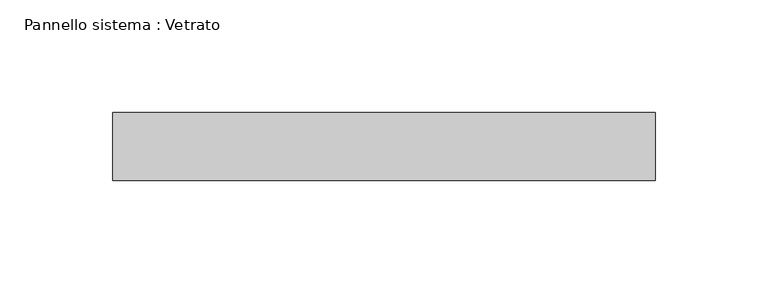
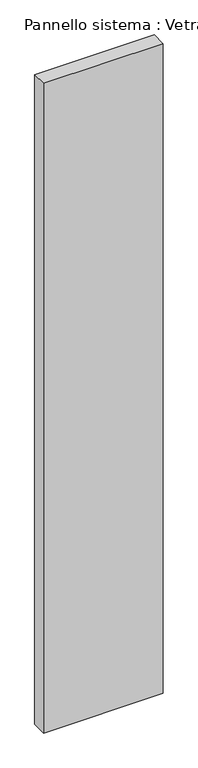
"""IFC4 building model written with IfcOpenShell, lengths in millimetres: plate geometry, Pannello sistema : Vetrato."""

from ifc_helpers import new_model, si_unit, origin, origin_with_axes, place, context, project, spatial, polyline, outline, extrude, source, transform, mapped, element, save


def pannello_sistema_vetrato_fd2438c9(model_context):
    return source(origin(), model_context, "Body", "SweptSolid", [
        extrude(outline(polyline([(119.9999998, -15.0), (-119.9999998, -15.0), (-119.9999998, 15.0), (119.9999998, 15.0), (119.9999998, -15.0)])), origin_with_axes(), (0.0, 0.0, 1.0), 1375.0),
    ])


if __name__ == "__main__":
    model = new_model("IFC4")
    model_context = context("Model", 3, world=origin())
    ifc_project = project(units=[si_unit("LENGTHUNIT", "METRE", prefix="MILLI")], contexts=[model_context])
    site = spatial("IfcSite", under=ifc_project)
    building = spatial("IfcBuilding", under=site)
    placement = place(None, origin())
    pannello_sistema_vetrato_shape = pannello_sistema_vetrato_fd2438c9(model_context)
    element("IfcPlate", 1, ObjectType="Pannello sistema : Vetrato", at=placement, inside=building, context=model_context, shape_type="MappedRepresentation", body=[
        mapped(pannello_sistema_vetrato_shape, transform((0.0, 0.0, 0.0), x_axis=(1.0, 0.0, 0.0), y_axis=(0.0, 1.0, 0.0), z_axis=(0.0, 0.0, 1.0))),
    ])
    save(model, "model.ifc")
